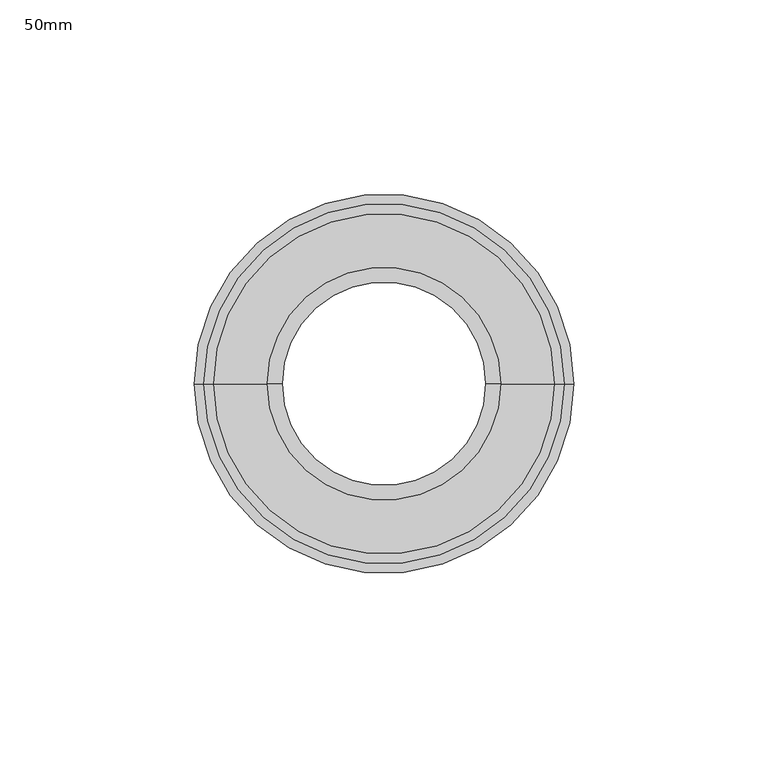
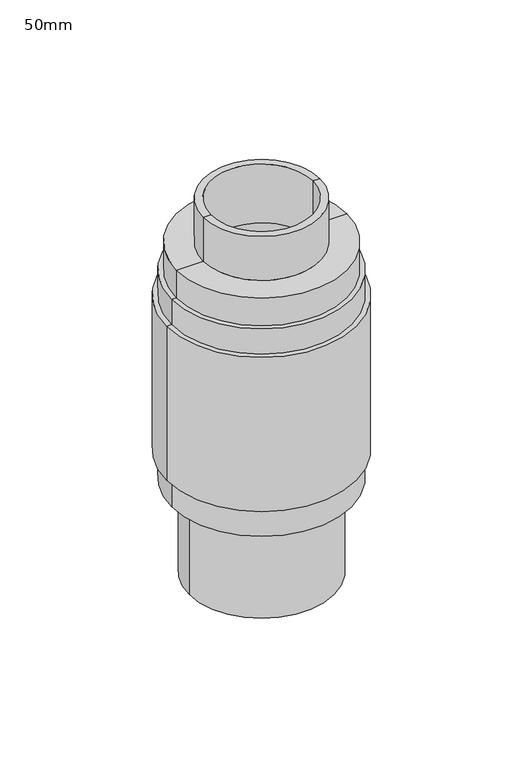
"""IFC4 building model written with IfcOpenShell, lengths in millimetres: proxy geometry, 50mm."""

from ifc_helpers import new_model, si_unit, frame, origin, place, context, project, spatial, polyline, circle_curve, source, transform, mapped, element, save
from ifc_brep_helpers import plane_surface, cylinder_surface, revolved_surface, advanced_brep


def proxy_50mm_33ae9854(model_context):
    return source(origin(), model_context, "Body", "AdvancedBrep", [
        advanced_brep(
        [(37.3404657, 0.0, 32.0), (-37.3404657, 0.0, 32.0), (-46.3404756, 0.0, 32.0), (46.3404756, 0.0, 32.0), (37.3404657, 0.0, 38.3485942), (-37.3404657, 0.0, 38.3485942), (42.7604621, 0.0, 38.3485942), (-42.7604621, 0.0, 38.3485942), (42.7604621, 0.0, 78.9999872), (-42.7604621, 0.0, 78.9999872), (32.3710751, 0.0, 78.9999872), (-32.3710751, 0.0, 78.9999872), (32.3710751, 0.0, 151.9999908), (-32.3710751, 0.0, 151.9999908), (26.25, 0.0, 151.9999908), (-26.25, 0.0, 151.9999908), (26.25, 0.0, 183.9999926), (-26.25, 0.0, 183.9999926), (30.0, 0.0, 183.9999926), (-30.0, 0.0, 183.9999926), (30.0, 0.0, 159.9999957), (-30.0, 0.0, 159.9999957), (43.840456, 0.0, 159.9999957), (-43.840456, 0.0, 159.9999957), (43.840456, 0.0, 144.9999874), (-43.840456, 0.0, 144.9999874), (46.3404756, 0.0, 144.9999874), (-46.3404756, 0.0, 144.9999874), (46.3404756, 0.0, 131.2499872), (-46.3404756, 0.0, 131.2499872), (48.8404528, 0.0, 131.2499872), (-48.8404528, 0.0, 131.2499872), (48.8404528, 0.0, 47.2499884), (-48.8404528, 0.0, 47.2499884), (46.3404756, 0.0, 47.2499884), (-46.3404756, 0.0, 47.2499884)],
        [
            (0, 1, circle_curve(frame((0.0, 0.0, 32.0), z_axis=(0.0, 0.0, 1.0), x_axis=(-1.0, 0.0, 0.0)), 37.3404657)),
            (1, 2),
            (2, 3, circle_curve(frame((0.0, 0.0, 32.0), z_axis=(0.0, 0.0, -1.0), x_axis=(-1.0, 0.0, 0.0)), 46.3404756)),
            (3, 0),
            (1, 0, circle_curve(frame((0.0, 0.0, 32.0), z_axis=(0.0, 0.0, 1.0), x_axis=(-1.0, 0.0, 0.0)), 37.3404657)),
            (3, 2, circle_curve(frame((0.0, 0.0, 32.0), z_axis=(0.0, 0.0, -1.0), x_axis=(-1.0, 0.0, 0.0)), 46.3404756)),
            (4, 5, circle_curve(frame((0.0, 0.0, 38.3485942), z_axis=(0.0, 0.0, 1.0), x_axis=(-1.0, 0.0, 0.0)), 37.3404657)),
            (5, 1),
            (0, 4),
            (5, 4, circle_curve(frame((0.0, 0.0, 38.3485942), z_axis=(0.0, 0.0, 1.0), x_axis=(-1.0, 0.0, 0.0)), 37.3404657)),
            (6, 7, circle_curve(frame((0.0, 0.0, 38.3485942), z_axis=(0.0, 0.0, 1.0), x_axis=(-1.0, 0.0, 0.0)), 42.7604621)),
            (7, 5),
            (4, 6),
            (7, 6, circle_curve(frame((0.0, 0.0, 38.3485942), z_axis=(0.0, 0.0, 1.0), x_axis=(-1.0, 0.0, 0.0)), 42.7604621)),
            (8, 9, circle_curve(frame((0.0, 0.0, 78.9999872), z_axis=(0.0, 0.0, 1.0), x_axis=(-1.0, 0.0, 0.0)), 42.7604621)),
            (9, 7),
            (6, 8),
            (9, 8, circle_curve(frame((0.0, 0.0, 78.9999872), z_axis=(0.0, 0.0, 1.0), x_axis=(-1.0, 0.0, 0.0)), 42.7604621)),
            (10, 11, circle_curve(frame((0.0, 0.0, 78.9999872), z_axis=(0.0, 0.0, 1.0), x_axis=(-1.0, 0.0, 0.0)), 32.3710751)),
            (11, 9),
            (8, 10),
            (11, 10, circle_curve(frame((0.0, 0.0, 78.9999872), z_axis=(0.0, 0.0, 1.0), x_axis=(-1.0, 0.0, 0.0)), 32.3710751)),
            (12, 13, circle_curve(frame((0.0, 0.0, 151.9999908), z_axis=(0.0, 0.0, 1.0), x_axis=(-1.0, 0.0, 0.0)), 32.3710751)),
            (13, 11),
            (10, 12),
            (13, 12, circle_curve(frame((0.0, 0.0, 151.9999908), z_axis=(0.0, 0.0, 1.0), x_axis=(-1.0, 0.0, 0.0)), 32.3710751)),
            (14, 15, circle_curve(frame((0.0, 0.0, 151.9999908), z_axis=(0.0, 0.0, 1.0), x_axis=(-1.0, 0.0, 0.0)), 26.25)),
            (15, 13),
            (12, 14),
            (15, 14, circle_curve(frame((0.0, 0.0, 151.9999908), z_axis=(0.0, 0.0, 1.0), x_axis=(-1.0, 0.0, 0.0)), 26.25)),
            (16, 17, circle_curve(frame((0.0, 0.0, 183.9999926), z_axis=(0.0, 0.0, 1.0), x_axis=(-1.0, 0.0, 0.0)), 26.25)),
            (17, 15),
            (14, 16),
            (17, 16, circle_curve(frame((0.0, 0.0, 183.9999926), z_axis=(0.0, 0.0, 1.0), x_axis=(-1.0, 0.0, 0.0)), 26.25)),
            (18, 19, circle_curve(frame((0.0, 0.0, 183.9999926), z_axis=(0.0, 0.0, 1.0), x_axis=(-1.0, 0.0, 0.0)), 30.0)),
            (19, 17),
            (16, 18),
            (19, 18, circle_curve(frame((0.0, 0.0, 183.9999926), z_axis=(0.0, 0.0, 1.0), x_axis=(-1.0, 0.0, 0.0)), 30.0)),
            (20, 21, circle_curve(frame((0.0, 0.0, 159.9999957), z_axis=(0.0, 0.0, 1.0), x_axis=(-1.0, 0.0, 0.0)), 30.0)),
            (21, 19),
            (18, 20),
            (21, 20, circle_curve(frame((0.0, 0.0, 159.9999957), z_axis=(0.0, 0.0, 1.0), x_axis=(-1.0, 0.0, 0.0)), 30.0)),
            (22, 23, circle_curve(frame((0.0, 0.0, 159.9999957), z_axis=(0.0, 0.0, 1.0), x_axis=(-1.0, 0.0, 0.0)), 43.840456)),
            (23, 21),
            (20, 22),
            (23, 22, circle_curve(frame((0.0, 0.0, 159.9999957), z_axis=(0.0, 0.0, 1.0), x_axis=(-1.0, 0.0, 0.0)), 43.840456)),
            (24, 25, circle_curve(frame((0.0, 0.0, 144.9999874), z_axis=(0.0, 0.0, 1.0), x_axis=(-1.0, 0.0, 0.0)), 43.840456)),
            (25, 23),
            (22, 24),
            (25, 24, circle_curve(frame((0.0, 0.0, 144.9999874), z_axis=(0.0, 0.0, 1.0), x_axis=(-1.0, 0.0, 0.0)), 43.840456)),
            (26, 27, circle_curve(frame((0.0, 0.0, 144.9999874), z_axis=(0.0, 0.0, 1.0), x_axis=(-1.0, 0.0, 0.0)), 46.3404756)),
            (27, 25),
            (24, 26),
            (27, 26, circle_curve(frame((0.0, 0.0, 144.9999874), z_axis=(0.0, 0.0, 1.0), x_axis=(-1.0, 0.0, 0.0)), 46.3404756)),
            (28, 29, circle_curve(frame((0.0, 0.0, 131.2499872), z_axis=(0.0, 0.0, 1.0), x_axis=(-1.0, 0.0, 0.0)), 46.3404756)),
            (29, 27),
            (26, 28),
            (29, 28, circle_curve(frame((0.0, 0.0, 131.2499872), z_axis=(0.0, 0.0, 1.0), x_axis=(-1.0, 0.0, 0.0)), 46.3404756)),
            (30, 31, circle_curve(frame((0.0, 0.0, 131.2499872), z_axis=(0.0, 0.0, 1.0), x_axis=(-1.0, 0.0, 0.0)), 48.8404528)),
            (31, 29),
            (28, 30),
            (31, 30, circle_curve(frame((0.0, 0.0, 131.2499872), z_axis=(0.0, 0.0, 1.0), x_axis=(-1.0, 0.0, 0.0)), 48.8404528)),
            (32, 33, circle_curve(frame((0.0, 0.0, 47.2499884), z_axis=(0.0, 0.0, 1.0), x_axis=(-1.0, 0.0, 0.0)), 48.8404528)),
            (33, 31),
            (30, 32),
            (33, 32, circle_curve(frame((0.0, 0.0, 47.2499884), z_axis=(0.0, 0.0, 1.0), x_axis=(-1.0, 0.0, 0.0)), 48.8404528)),
            (34, 35, circle_curve(frame((0.0, 0.0, 47.2499884), z_axis=(0.0, 0.0, 1.0), x_axis=(-1.0, 0.0, 0.0)), 46.3404756)),
            (35, 33),
            (32, 34),
            (35, 34, circle_curve(frame((0.0, 0.0, 47.2499884), z_axis=(0.0, 0.0, 1.0), x_axis=(-1.0, 0.0, 0.0)), 46.3404756)),
            (2, 35),
            (34, 3),
        ],
        [
            plane_surface(frame((0.0, 0.0, 32.0), z_axis=(0.0, 0.0, -1.0), x_axis=(-1.0, 0.0, 0.0))),
            revolved_surface(polyline([(-37.3404657, 0.0, 32.0), (-37.3404657, 0.0, 38.34859420000021)]), (0.0, 0.0, 2625.0580975), (0.0, 0.0, -1.0)),
            plane_surface(frame((0.0, 0.0, 38.3485942), z_axis=(0.0, 0.0, 1.0), x_axis=(-1.0, 0.0, 0.0))),
            revolved_surface(polyline([(-42.7604621, 0.0, 38.34859420000021), (-42.7604621, 0.0, 78.99998719999985)]), (0.0, 0.0, 2625.0580975), (0.0, 0.0, -1.0)),
            plane_surface(frame((0.0, 0.0, 78.9999872), z_axis=(0.0, 0.0, -1.0), x_axis=(-1.0, 0.0, 0.0))),
            revolved_surface(polyline([(-32.3710751, 0.0, 78.99998719999985), (-32.3710751, 0.0, 151.99999079999998)]), (0.0, 0.0, 2625.0580975), (0.0, 0.0, -1.0)),
            plane_surface(frame((0.0, 0.0, 151.9999908), z_axis=(0.0, 0.0, -1.0), x_axis=(-1.0, 0.0, 0.0))),
            revolved_surface(polyline([(-26.25, 0.0, 151.99999079999998), (-26.25, 0.0, 183.99999260000004)]), (0.0, 0.0, 2625.0580975), (0.0, 0.0, -1.0)),
            plane_surface(frame((0.0, 0.0, 183.9999926), z_axis=(0.0, 0.0, 1.0), x_axis=(-1.0, 0.0, 0.0))),
            cylinder_surface(frame((0.0, 0.0, 2625.0580975), z_axis=(0.0, 0.0, -1.0), x_axis=(-1.0, 0.0, 0.0)), 30.0),
            plane_surface(frame((0.0, 0.0, 159.9999957), z_axis=(0.0, 0.0, 1.0), x_axis=(-1.0, 0.0, 0.0))),
            cylinder_surface(frame((0.0, 0.0, 2625.0580975), z_axis=(0.0, 0.0, -1.0), x_axis=(-1.0, 0.0, 0.0)), 43.840456),
            plane_surface(frame((0.0, 0.0, 144.9999874), z_axis=(0.0, 0.0, 1.0), x_axis=(-1.0, 0.0, 0.0))),
            cylinder_surface(frame((0.0, 0.0, 2625.0580975), z_axis=(0.0, 0.0, -1.0), x_axis=(-1.0, 0.0, 0.0)), 46.3404756),
            plane_surface(frame((0.0, 0.0, 131.2499872), z_axis=(0.0, 0.0, 1.0), x_axis=(-1.0, 0.0, 0.0))),
            cylinder_surface(frame((0.0, 0.0, 2625.0580975), z_axis=(0.0, 0.0, -1.0), x_axis=(-1.0, 0.0, 0.0)), 48.8404528),
            plane_surface(frame((0.0, 0.0, 47.2499884), z_axis=(0.0, 0.0, -1.0), x_axis=(-1.0, 0.0, 0.0))),
        ],
        [
            (0, [[1, 2, 3, 4]]),
            (0, [[5, -4, 6, -2]]),
            (1, [[7, 8, -1, 9]]),
            (1, [[10, -9, -5, -8]]),
            (2, [[11, 12, -7, 13]]),
            (2, [[14, -13, -10, -12]]),
            (3, [[15, 16, -11, 17]]),
            (3, [[18, -17, -14, -16]]),
            (4, [[19, 20, -15, 21]]),
            (4, [[22, -21, -18, -20]]),
            (5, [[23, 24, -19, 25]]),
            (5, [[26, -25, -22, -24]]),
            (6, [[27, 28, -23, 29]]),
            (6, [[30, -29, -26, -28]]),
            (7, [[31, 32, -27, 33]]),
            (7, [[34, -33, -30, -32]]),
            (8, [[35, 36, -31, 37]]),
            (8, [[38, -37, -34, -36]]),
            (9, [[39, 40, -35, 41]]),
            (9, [[42, -41, -38, -40]]),
            (10, [[43, 44, -39, 45]]),
            (10, [[46, -45, -42, -44]]),
            (11, [[47, 48, -43, 49]]),
            (11, [[50, -49, -46, -48]]),
            (12, [[51, 52, -47, 53]]),
            (12, [[54, -53, -50, -52]]),
            (13, [[55, 56, -51, 57]]),
            (13, [[58, -57, -54, -56]]),
            (14, [[59, 60, -55, 61]]),
            (14, [[62, -61, -58, -60]]),
            (15, [[63, 64, -59, 65]]),
            (15, [[66, -65, -62, -64]]),
            (16, [[67, 68, -63, 69]]),
            (16, [[70, -69, -66, -68]]),
            (13, [[-3, 71, -67, 72]]),
            (13, [[-6, -72, -70, -71]]),
        ],
    ),
        advanced_brep(
        [(30.0, 0.0, -19.0000036), (-30.0, 0.0, -19.0000036), (-37.3404657, 0.0, -19.0000036), (37.3404657, 0.0, -19.0000036), (30.0, 0.0, 98.9885824), (-30.0, 0.0, 98.9885824), (32.3710751, 0.0, 98.9885824), (-32.3710751, 0.0, 98.9885824), (32.3710751, 0.0, 43.9999915), (-32.3710751, 0.0, 43.9999915), (42.7604621, 0.0, 43.9999915), (-42.7604621, 0.0, 43.9999915), (42.7604621, 0.0, 38.9999946), (-42.7604621, 0.0, 38.9999946), (37.3404657, 0.0, 38.9999946), (-37.3404657, 0.0, 38.9999946)],
        [
            (0, 1, circle_curve(frame((0.0, 0.0, -19.0000036), z_axis=(0.0, 0.0, 1.0), x_axis=(-1.0, 0.0, 0.0)), 30.0)),
            (1, 2),
            (2, 3, circle_curve(frame((0.0, 0.0, -19.0000036), z_axis=(0.0, 0.0, -1.0), x_axis=(-1.0, 0.0, 0.0)), 37.3404657)),
            (3, 0),
            (1, 0, circle_curve(frame((0.0, 0.0, -19.0000036), z_axis=(0.0, 0.0, 1.0), x_axis=(-1.0, 0.0, 0.0)), 30.0)),
            (3, 2, circle_curve(frame((0.0, 0.0, -19.0000036), z_axis=(0.0, 0.0, -1.0), x_axis=(-1.0, 0.0, 0.0)), 37.3404657)),
            (4, 5, circle_curve(frame((0.0, 0.0, 98.9885824), z_axis=(0.0, 0.0, 1.0), x_axis=(-1.0, 0.0, 0.0)), 30.0)),
            (5, 1),
            (0, 4),
            (5, 4, circle_curve(frame((0.0, 0.0, 98.9885824), z_axis=(0.0, 0.0, 1.0), x_axis=(-1.0, 0.0, 0.0)), 30.0)),
            (6, 7, circle_curve(frame((0.0, 0.0, 98.9885824), z_axis=(0.0, 0.0, 1.0), x_axis=(-1.0, 0.0, 0.0)), 32.3710751)),
            (7, 5),
            (4, 6),
            (7, 6, circle_curve(frame((0.0, 0.0, 98.9885824), z_axis=(0.0, 0.0, 1.0), x_axis=(-1.0, 0.0, 0.0)), 32.3710751)),
            (8, 9, circle_curve(frame((0.0, 0.0, 43.9999915), z_axis=(0.0, 0.0, 1.0), x_axis=(-1.0, 0.0, 0.0)), 32.3710751)),
            (9, 7),
            (6, 8),
            (9, 8, circle_curve(frame((0.0, 0.0, 43.9999915), z_axis=(0.0, 0.0, 1.0), x_axis=(-1.0, 0.0, 0.0)), 32.3710751)),
            (10, 11, circle_curve(frame((0.0, 0.0, 43.9999915), z_axis=(0.0, 0.0, 1.0), x_axis=(-1.0, 0.0, 0.0)), 42.7604621)),
            (11, 9),
            (8, 10),
            (11, 10, circle_curve(frame((0.0, 0.0, 43.9999915), z_axis=(0.0, 0.0, 1.0), x_axis=(-1.0, 0.0, 0.0)), 42.7604621)),
            (12, 13, circle_curve(frame((0.0, 0.0, 38.9999946), z_axis=(0.0, 0.0, 1.0), x_axis=(-1.0, 0.0, 0.0)), 42.7604621)),
            (13, 11),
            (10, 12),
            (13, 12, circle_curve(frame((0.0, 0.0, 38.9999946), z_axis=(0.0, 0.0, 1.0), x_axis=(-1.0, 0.0, 0.0)), 42.7604621)),
            (14, 15, circle_curve(frame((0.0, 0.0, 38.9999946), z_axis=(0.0, 0.0, 1.0), x_axis=(-1.0, 0.0, 0.0)), 37.3404657)),
            (15, 13),
            (12, 14),
            (15, 14, circle_curve(frame((0.0, 0.0, 38.9999946), z_axis=(0.0, 0.0, 1.0), x_axis=(-1.0, 0.0, 0.0)), 37.3404657)),
            (2, 15),
            (14, 3),
        ],
        [
            plane_surface(frame((0.0, 0.0, -19.0000036), z_axis=(0.0, 0.0, -1.0), x_axis=(-1.0, 0.0, 0.0))),
            revolved_surface(polyline([(-30.0, 0.0, -19.000003600000127), (-30.0, 0.0, 98.98858239999981)]), (0.0, 0.0, 2625.0580975), (0.0, 0.0, -1.0)),
            plane_surface(frame((0.0, 0.0, 98.9885824), z_axis=(0.0, 0.0, 1.0), x_axis=(-1.0, 0.0, 0.0))),
            cylinder_surface(frame((0.0, 0.0, 2625.0580975), z_axis=(0.0, 0.0, -1.0), x_axis=(-1.0, 0.0, 0.0)), 32.3710751),
            plane_surface(frame((0.0, 0.0, 43.9999915), z_axis=(0.0, 0.0, 1.0), x_axis=(-1.0, 0.0, 0.0))),
            cylinder_surface(frame((0.0, 0.0, 2625.0580975), z_axis=(0.0, 0.0, -1.0), x_axis=(-1.0, 0.0, 0.0)), 42.7604621),
            plane_surface(frame((0.0, 0.0, 38.9999946), z_axis=(0.0, 0.0, -1.0), x_axis=(-1.0, 0.0, 0.0))),
            cylinder_surface(frame((0.0, 0.0, 2625.0580975), z_axis=(0.0, 0.0, -1.0), x_axis=(-1.0, 0.0, 0.0)), 37.3404657),
        ],
        [
            (0, [[1, 2, 3, 4]]),
            (0, [[5, -4, 6, -2]]),
            (1, [[7, 8, -1, 9]]),
            (1, [[10, -9, -5, -8]]),
            (2, [[11, 12, -7, 13]]),
            (2, [[14, -13, -10, -12]]),
            (3, [[15, 16, -11, 17]]),
            (3, [[18, -17, -14, -16]]),
            (4, [[19, 20, -15, 21]]),
            (4, [[22, -21, -18, -20]]),
            (5, [[23, 24, -19, 25]]),
            (5, [[26, -25, -22, -24]]),
            (6, [[27, 28, -23, 29]]),
            (6, [[30, -29, -26, -28]]),
            (7, [[-3, 31, -27, 32]]),
            (7, [[-6, -32, -30, -31]]),
        ],
    ),
    ])


if __name__ == "__main__":
    model = new_model("IFC4")
    model_context = context("Model", 3, world=origin())
    ifc_project = project(units=[si_unit("LENGTHUNIT", "METRE", prefix="MILLI")], contexts=[model_context])
    site = spatial("IfcSite", under=ifc_project)
    building = spatial("IfcBuilding", under=site)
    placement = place(None, origin())
    proxy_50mm_shape = proxy_50mm_33ae9854(model_context)
    element("IfcBuildingElementProxy", 1, Name="50mm", ObjectType="50mm", at=placement, inside=building, context=model_context, shape_type="MappedRepresentation", body=[
        mapped(proxy_50mm_shape, transform((0.0, 0.0, 0.0), x_axis=(1.0, 0.0, 0.0), y_axis=(0.0, 1.0, 0.0), z_axis=(0.0, 0.0, 1.0))),
    ])
    save(model, "model.ifc")
